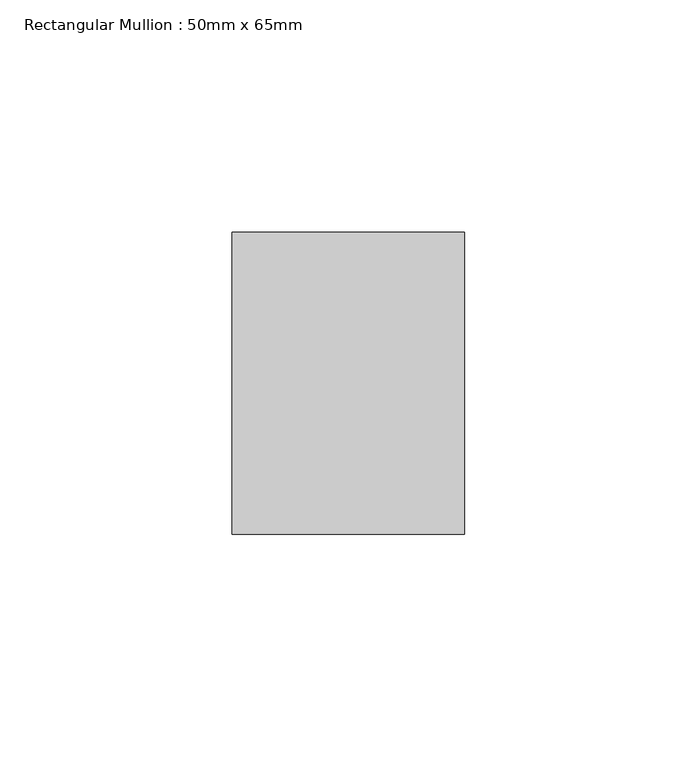
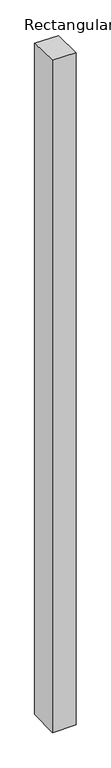
"""IFC4 building model written with IfcOpenShell, lengths in millimetres: member geometry, Rectangular Mullion : 50mm x 65mm."""

from ifc_helpers import new_model, si_unit, origin, place, context, project, spatial, faceted_brep, source, transform, mapped, element, save


def rectangular_mullion_50mm_x_65mm_ee52f92f(model_context):
    return source(origin(), model_context, "Body", "Brep", [
        faceted_brep([(-25.0, 32.5, -0.7127049), (25.0, 32.5, -0.7127116), (25.0, 32.5, -1499.1017265), (-25.0, 32.5, -1499.101735), (-25.0, -32.5, 0.7127116), (-25.0, -32.5, -1500.8976628), (25.0, -32.5, 0.7127049), (25.0, -32.5, -1500.8976543)], [[[0, 1, 2, 3]], [[4, 0, 3, 5]], [[6, 4, 5, 7]], [[1, 6, 7, 2]], [[1, 0, 4, 6]], [[2, 7, 5, 3]]]),
    ])


if __name__ == "__main__":
    model = new_model("IFC4")
    model_context = context("Model", 3, world=origin())
    ifc_project = project(units=[si_unit("LENGTHUNIT", "METRE", prefix="MILLI")], contexts=[model_context])
    site = spatial("IfcSite", under=ifc_project)
    building = spatial("IfcBuilding", under=site)
    placement = place(None, origin())
    rectangular_mullion_50mm_x_65mm_shape = rectangular_mullion_50mm_x_65mm_ee52f92f(model_context)
    element("IfcMember", 1, ObjectType="Rectangular Mullion : 50mm x 65mm", at=placement, inside=building, context=model_context, shape_type="MappedRepresentation", body=[
        mapped(rectangular_mullion_50mm_x_65mm_shape, transform((0.0, 0.0, 0.0), x_axis=(1.0, 0.0, 0.0), y_axis=(0.0, 1.0, 0.0), z_axis=(0.0, 0.0, 1.0))),
    ])
    save(model, "model.ifc")
